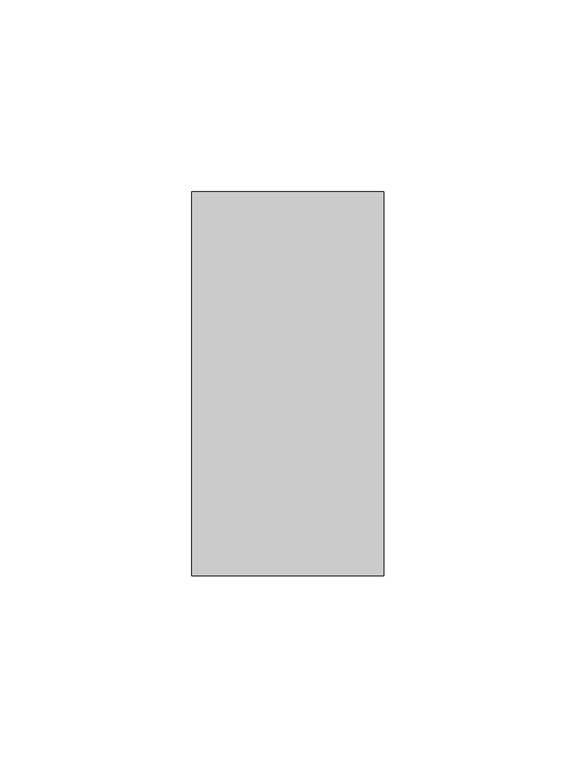
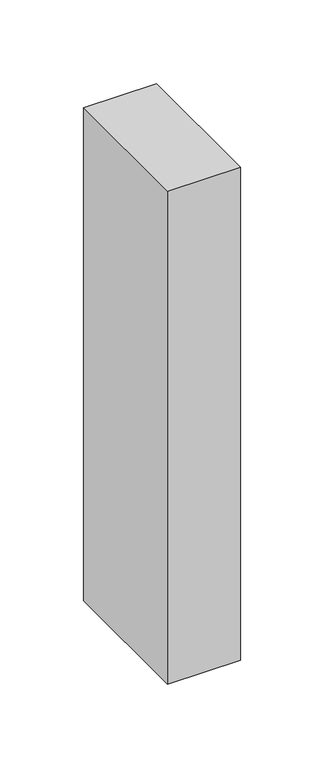
"""IFC4 building model written with IfcOpenShell, lengths in millimetres: member geometry."""

from ifc_helpers import new_model, si_unit, frame, origin, place, context, project, spatial, polyline, outline, extrude, source, transform, mapped, element, save


def member_6d64115e(model_context):
    return source(origin(), model_context, "Body", "SweptSolid", [
        extrude(outline(polyline([(25.0, 50.0), (25.0, -50.0), (-25.0, -50.0), (-25.0, 50.0), (25.0, 50.0)])), frame((0.0, 0.0, -358.3333333), z_axis=(0.0, 0.0, 1.0), x_axis=(1.0, 0.0, 0.0)), (0.0, 0.0, 1.0), 358.3333333),
    ])


if __name__ == "__main__":
    model = new_model("IFC4")
    model_context = context("Model", 3, world=origin())
    ifc_project = project(units=[si_unit("LENGTHUNIT", "METRE", prefix="MILLI")], contexts=[model_context])
    site = spatial("IfcSite", under=ifc_project)
    building = spatial("IfcBuilding", under=site)
    placement = place(None, origin())
    member_shape = member_6d64115e(model_context)
    element("IfcMember", 1, at=placement, inside=building, context=model_context, shape_type="MappedRepresentation", body=[
        mapped(member_shape, transform((0.0, 0.0, 0.0), x_axis=(1.0, 0.0, 0.0), y_axis=(0.0, 1.0, 0.0), z_axis=(0.0, 0.0, 1.0))),
    ])
    save(model, "model.ifc")
